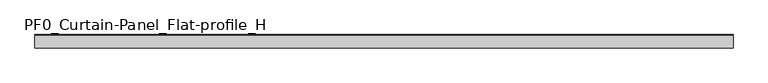
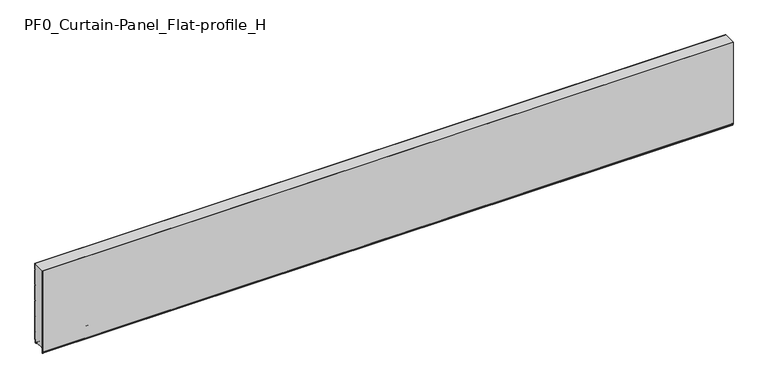
"""IFC4 building model written with IfcOpenShell, lengths in millimetres: plate geometry, PF0_Curtain-Panel_Flat-profile_H."""

from ifc_helpers import new_model, si_unit, point, frame, frame_2d, origin, place, context, project, spatial, polyline, circle_curve, trimmed, segment, composite_curve, outline, extrude, source, transform, mapped, element, save


def pf0_curtain_panel_flat_profile_h_a207e21d(model_context):
    return source(origin(), model_context, "Body", "SweptSolid", [
        extrude(outline(composite_curve([segment(polyline([(-15.878557, 0.0), (-20.0, 0.0), (-20.0, 0.8), (-15.878557, 0.8)]), True, "CONTINUOUS"), segment(trimmed(circle_curve(frame_2d((-15.878557, -2.0)), 2.8), [point((-15.878557, 0.8))], [point((-13.1503208, -1.370137))], False, "CARTESIAN"), True, "CONTINUOUS"), segment(polyline([(-13.1503208, -1.370137), (-11.728236, -7.529863)]), True, "CONTINUOUS"), segment(trimmed(circle_curve(frame_2d((-9.0, -6.9)), 2.8), [point((-11.728236, -7.529863))], [point((-6.2, -6.9))], True, "CARTESIAN"), True, "CONTINUOUS"), segment(polyline([(-6.2, -6.9), (-6.2, 8.6)]), True, "CONTINUOUS"), segment(trimmed(circle_curve(frame_2d((-3.4, 8.6)), 2.8), [point((-6.2, 8.6))], [point((-3.4, 11.4))], False, "CARTESIAN"), True, "CONTINUOUS"), segment(polyline([(-3.4, 11.4), (-2.0, 11.4)]), True, "CONTINUOUS"), segment(trimmed(circle_curve(frame_2d((-2.0, 12.6)), 1.2), [point((-2.0, 11.4))], [point((-0.8, 12.6))], True, "CARTESIAN"), True, "CONTINUOUS"), segment(polyline([(-0.8, 12.6), (-0.8, 57.6856412), (-2.482606, 60.6), (-0.8, 63.5143588), (-0.8, 157.6856412), (-2.482606, 160.6), (-0.8, 163.5143588), (-0.8, 257.6856412), (-2.482606, 260.6), (-0.8, 263.5143588), (-0.8, 357.6856412), (-2.482606, 360.6), (-0.8, 363.5143588), (-0.8, 457.6856412), (-2.482606, 460.6), (-0.8, 463.5143588), (-0.8, 500.0), (0.0, 500.0), (0.0, 463.2999995), (-1.5588455, 460.6), (0.0, 457.9000005), (0.0, 363.2999995), (-1.5588455, 360.6), (0.0, 357.9000005), (0.0, 263.2999995), (-1.5588455, 260.6), (0.0, 257.9000005), (0.0, 163.2999995), (-1.5588455, 160.6), (0.0, 157.9000005), (0.0, 63.2999995), (-1.5588455, 60.6), (0.0, 57.9000005), (0.0, 12.6)]), True, "CONTINUOUS"), segment(trimmed(circle_curve(frame_2d((-2.0, 12.6)), 2.0), [point((0.0, 12.6))], [point((-2.0, 10.6))], False, "CARTESIAN"), True, "CONTINUOUS"), segment(polyline([(-2.0, 10.6), (-3.4, 10.6)]), True, "CONTINUOUS"), segment(trimmed(circle_curve(frame_2d((-3.4, 8.6)), 2.0), [point((-3.4, 10.6))], [point((-5.4, 8.6))], True, "CARTESIAN"), True, "CONTINUOUS"), segment(polyline([(-5.4, 8.6), (-5.4, -6.9)]), True, "CONTINUOUS"), segment(trimmed(circle_curve(frame_2d((-9.0, -6.9)), 3.6), [point((-5.4, -6.9))], [point((-12.5077322, -7.7098239))], False, "CARTESIAN"), True, "CONTINUOUS"), segment(polyline([(-12.5077322, -7.7098239), (-13.929817, -1.5500979)]), True, "CONTINUOUS"), segment(trimmed(circle_curve(frame_2d((-15.878557, -2.0)), 2.0), [point((-13.929817, -1.5500979))], [point((-15.878557, 0.0))], True, "CARTESIAN"), True, "CONTINUOUS")], self_intersect=False)), frame((-2100.0, 0.0, 0.0), z_axis=(1.0, 0.0, 0.0), x_axis=(0.0, 1.0, 0.0)), (0.0, 0.0, 1.0), 4200.0),
        extrude(outline(composite_curve([segment(polyline([(-70.0, 0.8), (-73.5, 0.8)]), True, "CONTINUOUS"), segment(trimmed(circle_curve(frame_2d((-73.5, -2.0)), 2.8), [point((-73.5, 0.8))], [point((-76.3, -2.0))], True, "CARTESIAN"), True, "CONTINUOUS"), segment(polyline([(-76.3, -2.0), (-76.3, -32.8700312)]), True, "CONTINUOUS"), segment(trimmed(circle_curve(frame_2d((-76.6, -32.8700312)), 0.3), [point((-76.3, -32.8700312))], [point((-76.9, -32.8700312))], False, "CARTESIAN"), True, "CONTINUOUS"), segment(polyline([(-76.9, -32.8700312), (-76.9, -26.9)]), True, "CONTINUOUS"), segment(trimmed(circle_curve(frame_2d((-78.6133333, -26.9)), 1.7133333), [point((-76.9, -26.9))], [point((-78.4, -25.2))], True, "CARTESIAN"), True, "CONTINUOUS"), segment(trimmed(circle_curve(frame_2d((-78.4, -24.4)), 0.8), [point((-78.4, -25.2))], [point((-79.2, -24.4))], False, "CARTESIAN"), True, "CONTINUOUS"), segment(polyline([(-79.2, -24.4), (-79.2, 500.0), (-0.8, 500.0), (-0.8, 463.5143588), (-2.482606, 460.6), (-0.8, 457.6856412), (-0.8, 363.5143588), (-2.482606, 360.6), (-0.8, 357.6856412), (-0.8, 263.5143588), (-2.482606, 260.6), (-0.8, 257.6856412), (-0.8, 163.5143588), (-2.482606, 160.6), (-0.8, 157.6856412), (-0.8, 63.5143588), (-2.482606, 60.6), (-0.8, 57.6856412), (-0.8, 12.6)]), True, "CONTINUOUS"), segment(trimmed(circle_curve(frame_2d((-2.0, 12.6)), 1.2), [point((-0.8, 12.6))], [point((-2.0, 11.4))], False, "CARTESIAN"), True, "CONTINUOUS"), segment(polyline([(-2.0, 11.4), (-3.4, 11.4)]), True, "CONTINUOUS"), segment(trimmed(circle_curve(frame_2d((-3.4, 8.6)), 2.8), [point((-3.4, 11.4))], [point((-6.2, 8.6))], True, "CARTESIAN"), True, "CONTINUOUS"), segment(polyline([(-6.2, 8.6), (-6.2, -6.9)]), True, "CONTINUOUS"), segment(trimmed(circle_curve(frame_2d((-9.0, -6.9)), 2.8), [point((-6.2, -6.9))], [point((-11.7282362, -7.529863))], False, "CARTESIAN"), True, "CONTINUOUS"), segment(polyline([(-11.7282362, -7.529863), (-13.1503208, -1.370137)]), True, "CONTINUOUS"), segment(trimmed(circle_curve(frame_2d((-15.878557, -2.0)), 2.8), [point((-13.1503208, -1.370137))], [point((-15.878557, 0.8))], True, "CARTESIAN"), True, "CONTINUOUS"), segment(polyline([(-15.878557, 0.8), (-20.0, 0.8), (-20.0, 0.0), (-70.0, 0.0), (-70.0, 0.8)]), True, "CONTINUOUS")], self_intersect=False)), frame((-2100.0, 0.0, 0.0), z_axis=(1.0, 0.0, 0.0), x_axis=(0.0, 1.0, 0.0)), (0.0, 0.0, 1.0), 4200.0),
        extrude(outline(composite_curve([segment(polyline([(-70.0, 0.0), (-73.5, 0.0)]), True, "CONTINUOUS"), segment(trimmed(circle_curve(frame_2d((-73.5, -2.0)), 2.0), [point((-73.5, 0.0))], [point((-75.5, -2.0))], True, "CARTESIAN"), True, "CONTINUOUS"), segment(polyline([(-75.5, -2.0), (-75.5, -33.0)]), True, "CONTINUOUS"), segment(trimmed(circle_curve(frame_2d((-76.5, -33.0)), 1.0), [point((-75.5, -33.0))], [point((-77.5, -33.0))], False, "CARTESIAN"), True, "CONTINUOUS"), segment(polyline([(-77.5, -33.0), (-77.5, -26.9)]), True, "CONTINUOUS"), segment(trimmed(circle_curve(frame_2d((-78.4, -26.9)), 0.9), [point((-77.5, -26.9))], [point((-78.4, -26.0))], True, "CARTESIAN"), True, "CONTINUOUS"), segment(trimmed(circle_curve(frame_2d((-78.4, -24.4)), 1.6), [point((-78.4, -26.0))], [point((-80.0, -24.4))], False, "CARTESIAN"), True, "CONTINUOUS"), segment(polyline([(-80.0, -24.4), (-80.0, 500.0), (-79.2, 500.0), (-79.2, -24.4)]), True, "CONTINUOUS"), segment(trimmed(circle_curve(frame_2d((-78.4, -24.4)), 0.8), [point((-79.2, -24.4))], [point((-78.4, -25.2))], True, "CARTESIAN"), True, "CONTINUOUS"), segment(trimmed(circle_curve(frame_2d((-78.6133333, -26.9)), 1.7133333), [point((-78.4, -25.2))], [point((-76.9, -26.9))], False, "CARTESIAN"), True, "CONTINUOUS"), segment(polyline([(-76.9, -26.9), (-76.9, -32.8700312)]), True, "CONTINUOUS"), segment(trimmed(circle_curve(frame_2d((-76.6, -32.8700312)), 0.3), [point((-76.9, -32.8700312))], [point((-76.3, -32.8700312))], True, "CARTESIAN"), True, "CONTINUOUS"), segment(polyline([(-76.3, -32.8700312), (-76.3, -2.0)]), True, "CONTINUOUS"), segment(trimmed(circle_curve(frame_2d((-73.5, -2.0)), 2.8), [point((-76.3, -2.0))], [point((-73.5, 0.8))], False, "CARTESIAN"), True, "CONTINUOUS"), segment(polyline([(-73.5, 0.8), (-70.0, 0.8), (-70.0, 0.0)]), True, "CONTINUOUS")], self_intersect=False)), frame((-2100.0, 0.0, 0.0), z_axis=(1.0, 0.0, 0.0), x_axis=(0.0, 1.0, 0.0)), (0.0, 0.0, 1.0), 4200.0),
    ])


if __name__ == "__main__":
    model = new_model("IFC4")
    model_context = context("Model", 3, world=origin())
    ifc_project = project(units=[si_unit("LENGTHUNIT", "METRE", prefix="MILLI")], contexts=[model_context])
    site = spatial("IfcSite", under=ifc_project)
    building = spatial("IfcBuilding", under=site)
    placement = place(None, origin())
    pf0_curtain_panel_flat_profile_h_shape = pf0_curtain_panel_flat_profile_h_a207e21d(model_context)
    element("IfcPlate", 1, ObjectType="PF0_Curtain-Panel_Flat-profile_H", at=placement, inside=building, context=model_context, shape_type="MappedRepresentation", body=[
        mapped(pf0_curtain_panel_flat_profile_h_shape, transform((0.0, 0.0, 0.0), x_axis=(1.0, 0.0, 0.0), y_axis=(0.0, 1.0, 0.0), z_axis=(0.0, 0.0, 1.0))),
    ])
    save(model, "model.ifc")
